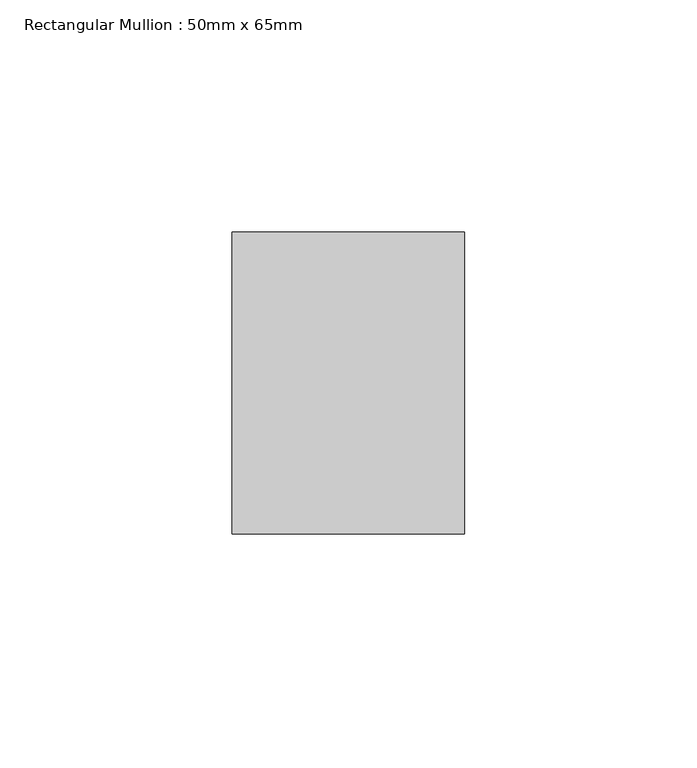
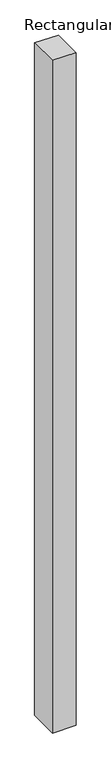
"""IFC4 building model written with IfcOpenShell, lengths in millimetres: member geometry, Rectangular Mullion : 50mm x 65mm."""

import ifcopenshell
import ifcopenshell.guid

model = None  # the IFC model being written
_history = None  # IfcOwnerHistory: only IFC2X3 demands one
_inside = {}  # id of a spatial element -> (the spatial element, [elements in it])
_under = {}  # id of a project, library or spatial element -> (it, [spatial elements below it])
_declared = {}  # id of a project -> (the project, [libraries it declares])
_typed = {}  # id of a type object -> (the type object, [elements of that type])
_made_of = {}  # id of a material, layer set ... -> (it, [elements and type objects made of it])


def new_model(schema):
    """Start an empty IFC model of exactly this schema.

    Asked for "IFC4X3", IfcOpenShell would pick the latest addendum, in which some entities
    have other attributes; the version numbers below select the first issue.
    IFC2X3 requires an IfcOwnerHistory on every rooted entity: one is made here for all.
    """
    global model, _history
    if schema == "IFC4X3":
        model = ifcopenshell.file(schema_version=(4, 3, 0, 0))
    else:
        model = ifcopenshell.file(schema=schema)
    _inside.clear()
    _under.clear()
    _declared.clear()
    _typed.clear()
    _made_of.clear()
    _history = None
    if model.schema == "IFC2X3":
        org = make("IfcOrganization", Name="unknown")
        user = make(
            "IfcPersonAndOrganization",
            ThePerson=make("IfcPerson", FamilyName="unknown"),
            TheOrganization=org,
        )
        app = make(
            "IfcApplication",
            ApplicationDeveloper=org,
            Version="unknown",
            ApplicationFullName="unknown",
            ApplicationIdentifier="unknown",
        )
        _history = make(
            "IfcOwnerHistory",
            OwningUser=user,
            OwningApplication=app,
            ChangeAction="ADDED",
            CreationDate=0,
        )
    return model


def make(cls, **values):
    """One entity of the class cls with the attributes given. An attribute that is None is left unset."""
    return model.create_entity(
        cls, **{name: value for name, value in values.items() if value is not None}
    )


def rooted(cls, **values):
    """An entity with a GlobalId (a new one), such as an element, a storey or a relation."""
    return make(cls, GlobalId=ifcopenshell.guid.new(), OwnerHistory=_history, **values)


def si_unit(unit_type, name, prefix=None):
    """IfcSIUnit, for example si_unit("LENGTHUNIT", "METRE", prefix="MILLI")."""
    return make("IfcSIUnit", UnitType=unit_type, Prefix=prefix, Name=name)


def assignment(units):
    """IfcUnitAssignment: the units of a project."""
    return None if units is None else make("IfcUnitAssignment", Units=units)


def point(xyz):
    """IfcCartesianPoint."""
    return None if xyz is None else make("IfcCartesianPoint", Coordinates=xyz)


def direction(xyz):
    """IfcDirection."""
    return None if xyz is None else make("IfcDirection", DirectionRatios=xyz)


def frame(location, z_axis=None, x_axis=None):
    """IfcAxis2Placement3D, a coordinate frame: its origin and axes. An axis left out is left unset."""
    return make(
        "IfcAxis2Placement3D",
        Location=point(location),
        Axis=direction(z_axis),
        RefDirection=direction(x_axis),
    )


def origin():
    """The frame at (0, 0, 0) with its axes left unset."""
    return frame((0.0, 0.0, 0.0))


def place(relative_to, where):
    """IfcLocalPlacement: puts the frame where relative to a parent placement (None: the world)."""
    return make(
        "IfcLocalPlacement", PlacementRelTo=relative_to, RelativePlacement=where
    )


def context(
    kind, dimensions, precision=None, world=None, true_north=None, identifier=None
):
    """IfcGeometricRepresentationContext, for example the 3D "Model" context."""
    return make(
        "IfcGeometricRepresentationContext",
        ContextIdentifier=identifier,
        ContextType=kind,
        CoordinateSpaceDimension=dimensions,
        Precision=precision,
        WorldCoordinateSystem=world,
        TrueNorth=true_north,
    )


def project(units=None, contexts=None):
    """IfcProject with its units and contexts."""
    return rooted(
        "IfcProject",
        Name="project",
        RepresentationContexts=contexts,
        UnitsInContext=assignment(units),
    )


def spatial(cls, under=None, at=None, **own):
    """A site, building, storey or space (cls), placed at a placement, below another one or the project."""
    s = rooted(cls, ObjectPlacement=at, **own)
    if under is not None:
        _under.setdefault(under.id(), (under, []))[1].append(s)
    return s


def faces_of(points, faces, orient=None, outer=None):
    """IfcFace entities. A face is a list of loops; a loop is a list of indices into points, from 0.

    orient and outer hold one flag for each loop. By default every Orientation is true, the
    first loop of a face is its IfcFaceOuterBound and the others are IfcFaceBound.
    """
    made = []
    for i, loops in enumerate(faces):
        bounds = []
        for j, loop in enumerate(loops):
            is_outer = j == 0 if outer is None else outer[i][j]
            bounds.append(
                make(
                    "IfcFaceOuterBound" if is_outer else "IfcFaceBound",
                    Bound=make("IfcPolyLoop", Polygon=[points[k] for k in loop]),
                    Orientation=True if orient is None else orient[i][j],
                )
            )
        made.append(make("IfcFace", Bounds=bounds))
    return made


def faceted_brep(points, faces, orient=None, outer=None, voids=None):
    """IfcFacetedBrep: a solid bounded by flat faces; with voids (closed shells), ...WithVoids."""
    shared = [point(p) for p in points]
    hull = make("IfcClosedShell", CfsFaces=faces_of(shared, faces, orient, outer))
    if voids is None:
        return make("IfcFacetedBrep", Outer=hull)
    return make(
        "IfcFacetedBrepWithVoids",
        Outer=hull,
        Voids=[
            make(cls, CfsFaces=faces_of(shared, fs, o, b)) for cls, fs, o, b in voids
        ],
    )


def shape(context_of_items, identifier, shape_type, items):
    """IfcShapeRepresentation: the items that make up one representation, for example the "Body"."""
    return make(
        "IfcShapeRepresentation",
        ContextOfItems=context_of_items,
        RepresentationIdentifier=identifier,
        RepresentationType=shape_type,
        Items=items,
    )


def source(mapping_origin, context_of_items, identifier, shape_type, items):
    """IfcRepresentationMap: a shape defined once, which mapped items show again and again."""
    return make(
        "IfcRepresentationMap",
        MappingOrigin=mapping_origin,
        MappedRepresentation=shape(context_of_items, identifier, shape_type, items),
    )


def transform(
    local_origin,
    x_axis=None,
    y_axis=None,
    z_axis=None,
    scale=None,
    scale2=None,
    scale3=None,
    uniform=True,
):
    """IfcCartesianTransformationOperator3D, or its non-uniform kind. x_axis, y_axis, z_axis: its Axis1, 2, 3."""
    if uniform:
        return make(
            "IfcCartesianTransformationOperator3D",
            Axis1=direction(x_axis),
            Axis2=direction(y_axis),
            LocalOrigin=point(local_origin),
            Scale=scale,
            Axis3=direction(z_axis),
        )
    return make(
        "IfcCartesianTransformationOperator3DnonUniform",
        Axis1=direction(x_axis),
        Axis2=direction(y_axis),
        LocalOrigin=point(local_origin),
        Scale=scale,
        Axis3=direction(z_axis),
        Scale2=scale2,
        Scale3=scale3,
    )


def mapped(mapping_source, mapping_target):
    """IfcMappedItem: shows the shape of a source again, moved by a transform."""
    return make(
        "IfcMappedItem", MappingSource=mapping_source, MappingTarget=mapping_target
    )


def made_of(thing, what):
    """Note that an element or type object is made of a material, layer set ...; save() writes the relation."""
    if what is not None:
        _made_of.setdefault(what.id(), (what, []))[1].append(thing)
    return thing


def element(
    cls,
    number,
    at=None,
    inside=None,
    cuts=None,
    type_object=None,
    material=None,
    context=None,
    identifier="Body",
    shape_type=None,
    held_by="IfcProductDefinitionShape",
    body=None,
    shapes=None,
    **own,
):
    """One element of the class cls, such as IfcWall. Its Tag is "e" and its number.

    at: its placement. inside: the storey or other place that contains it. cuts: it is an
    opening in that element (IfcRelVoidsElement). A single representation is given by context,
    identifier, shape_type and body (its items); several are given by shapes. held_by: the class
    of the entity that holds the representations. save() writes the other relations.
    """
    e = rooted(cls, Tag="e%d" % number, ObjectPlacement=at, **own)
    if body is not None:
        shapes = [shape(context, identifier, shape_type, body)]
    if shapes is not None:
        e.Representation = make(held_by, Representations=shapes)
    if inside is not None:
        _inside.setdefault(inside.id(), (inside, []))[1].append(e)
    if cuts is not None:
        rooted(
            "IfcRelVoidsElement", RelatingBuildingElement=cuts, RelatedOpeningElement=e
        )
    if type_object is not None:
        _typed.setdefault(type_object.id(), (type_object, []))[1].append(e)
    return made_of(e, material)


def aggregate(whole, parts):
    """IfcRelAggregates: a whole, such as a stair, and the parts it consists of."""
    return rooted("IfcRelAggregates", RelatingObject=whole, RelatedObjects=parts)


def save(model, path):
    """Write the relations noted so far, then the file.

    IfcRelAggregates (storeys below a building ...), IfcRelContainedInSpatialStructure (elements
    in a storey), IfcRelDefinesByType, IfcRelAssociatesMaterial and IfcRelDeclares: one each for
    every whole, place, type object, material and project.
    """
    for whole, parts in _under.values():
        aggregate(whole, parts)
    for where, things in _inside.values():
        rooted(
            "IfcRelContainedInSpatialStructure",
            RelatedElements=things,
            RelatingStructure=where,
        )
    for kind, things in _typed.values():
        rooted("IfcRelDefinesByType", RelatedObjects=things, RelatingType=kind)
    for what, things in _made_of.values():
        rooted("IfcRelAssociatesMaterial", RelatedObjects=things, RelatingMaterial=what)
    for by, libraries in _declared.values():
        rooted("IfcRelDeclares", RelatingContext=by, RelatedDefinitions=libraries)
    model.write(path)


def rectangular_mullion_50mm_x_65mm_42453f20(model_context):
    return source(origin(), model_context, "Body", "Brep", [
        faceted_brep([(-25.0, 32.5, -0.2027389), (25.0, 32.5, -0.2027378), (25.0, 32.5, -1499.892756), (-25.0, 32.5, -1499.8927554), (-25.0, -32.5, 0.2027378), (-25.0, -32.5, -1500.107417), (25.0, -32.5, 0.2027389), (25.0, -32.5, -1500.1074176)], [[[0, 1, 2, 3]], [[4, 0, 3, 5]], [[6, 4, 5, 7]], [[1, 6, 7, 2]], [[1, 0, 4, 6]], [[2, 7, 5, 3]]]),
    ])


if __name__ == "__main__":
    model = new_model("IFC4")
    model_context = context("Model", 3, world=origin())
    ifc_project = project(units=[si_unit("LENGTHUNIT", "METRE", prefix="MILLI")], contexts=[model_context])
    site = spatial("IfcSite", under=ifc_project)
    building = spatial("IfcBuilding", under=site)
    placement = place(None, origin())
    rectangular_mullion_50mm_x_65mm_shape = rectangular_mullion_50mm_x_65mm_42453f20(model_context)
    element("IfcMember", 1, ObjectType="Rectangular Mullion : 50mm x 65mm", at=placement, inside=building, context=model_context, shape_type="MappedRepresentation", body=[
        mapped(rectangular_mullion_50mm_x_65mm_shape, transform((0.0, 0.0, 0.0), x_axis=(1.0, 0.0, 0.0), y_axis=(0.0, 1.0, 0.0), z_axis=(0.0, 0.0, 1.0))),
    ])
    save(model, "model.ifc")
